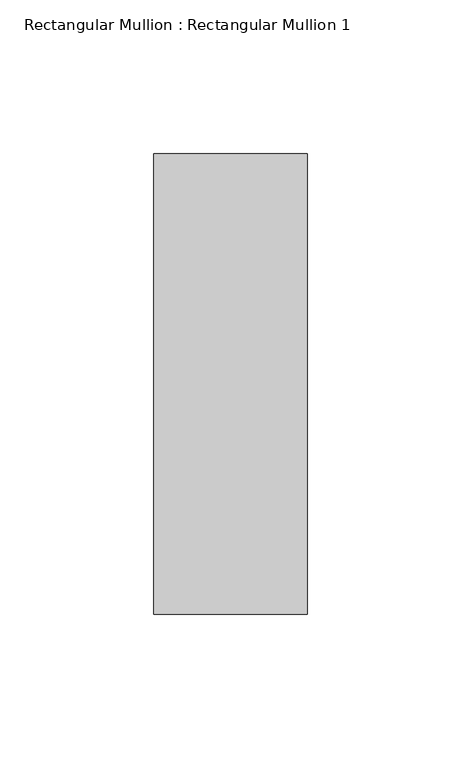
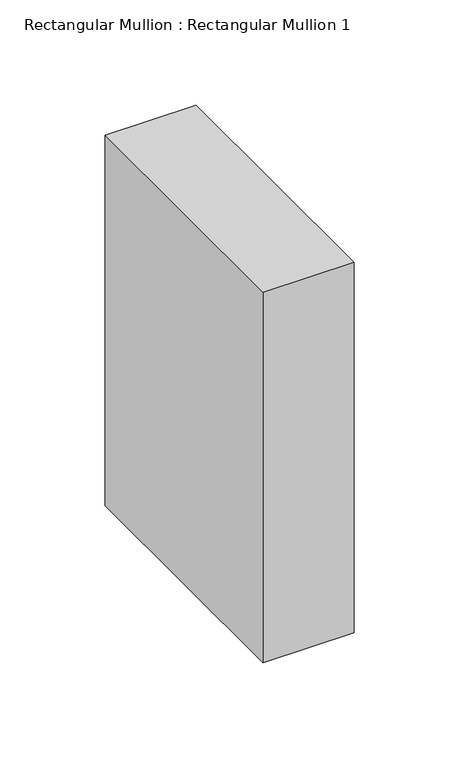
"""IFC4 building model written with IfcOpenShell, lengths in millimetres: member geometry, Rectangular Mullion : Rectangular Mullion 1."""

from ifc_helpers import new_model, si_unit, frame, origin, place, context, project, spatial, polyline, outline, extrude, source, transform, mapped, element, save


def rectangular_mullion_rectangular_mullion_1_28630d98(model_context):
    return source(origin(), model_context, "Body", "SweptSolid", [
        extrude(outline(polyline([(0.0, 75.0), (0.0, -75.0), (-50.0, -75.0), (-50.0, 75.0), (0.0, 75.0)])), frame((0.0, 0.0, -215.0), z_axis=(0.0, 0.0, 1.0), x_axis=(1.0, 0.0, 0.0)), (0.0, 0.0, 1.0), 215.0),
    ])


if __name__ == "__main__":
    model = new_model("IFC4")
    model_context = context("Model", 3, world=origin())
    ifc_project = project(units=[si_unit("LENGTHUNIT", "METRE", prefix="MILLI")], contexts=[model_context])
    site = spatial("IfcSite", under=ifc_project)
    building = spatial("IfcBuilding", under=site)
    placement = place(None, origin())
    rectangular_mullion_rectangular_mullion_1_shape = rectangular_mullion_rectangular_mullion_1_28630d98(model_context)
    element("IfcMember", 1, ObjectType="Rectangular Mullion : Rectangular Mullion 1", at=placement, inside=building, context=model_context, shape_type="MappedRepresentation", body=[
        mapped(rectangular_mullion_rectangular_mullion_1_shape, transform((0.0, 0.0, 0.0), x_axis=(1.0, 0.0, 0.0), y_axis=(0.0, 1.0, 0.0), z_axis=(0.0, 0.0, 1.0))),
    ])
    save(model, "model.ifc")
